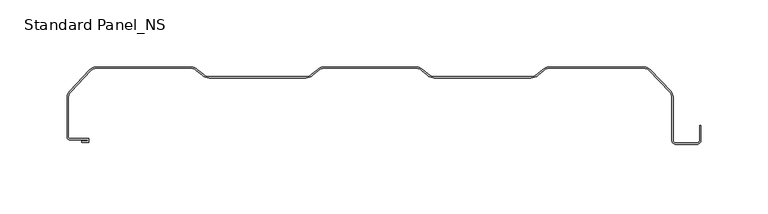
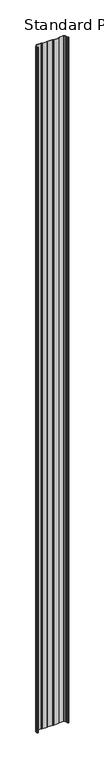
"""IFC4 building model written with IfcOpenShell, lengths in millimetres: proxy geometry, Standard Panel_NS."""

from ifc_helpers import new_model, si_unit, point, frame, frame_2d, origin, place, context, project, spatial, polyline, circle_curve, trimmed, segment, composite_curve, outline, extrude, source, transform, mapped, element, save


def standard_panel_ns_4d0732de(model_context):
    return source(origin(), model_context, "Body", "SweptSolid", [
        extrude(outline(composite_curve([segment(polyline([(244.25, -54.8581621), (244.25, -43.8581621), (245.25, -43.8581621), (245.25, -54.8581621)]), True, "CONTINUOUS"), segment(trimmed(circle_curve(frame_2d((242.25, -54.8581621)), 3.0), [point((245.25, -54.8581621))], [point((242.25, -57.8581621))], False, "CARTESIAN"), True, "CONTINUOUS"), segment(polyline([(242.25, -57.8581621), (226.5, -57.8581621)]), True, "CONTINUOUS"), segment(trimmed(circle_curve(frame_2d((226.5, -54.8581621)), 3.0), [point((226.5, -57.8581621))], [point((223.5, -54.8581621))], False, "CARTESIAN"), True, "CONTINUOUS"), segment(polyline([(223.5, -54.8581621), (223.5, -22.6923882)]), True, "CONTINUOUS"), segment(trimmed(circle_curve(frame_2d((218.0, -22.6923882)), 5.5), [point((223.5, -22.6923882))], [point((221.87828, -18.7925235))], True, "CARTESIAN"), True, "CONTINUOUS"), segment(polyline([(221.87828, -18.7925235), (206.6858919, -2.6001354)]), True, "CONTINUOUS"), segment(trimmed(circle_curve(frame_2d((202.8076118, -6.5)), 5.5), [point((206.6858919, -2.6001354))], [point((202.8076118, -1.0))], True, "CARTESIAN"), True, "CONTINUOUS"), segment(polyline([(202.8076118, -1.0), (131.8847763, -1.0)]), True, "CONTINUOUS"), segment(trimmed(circle_curve(frame_2d((131.8847763, -6.5)), 5.5), [point((131.8847763, -1.0))], [point((127.9650115, -2.6418341))], True, "CARTESIAN"), True, "CONTINUOUS"), segment(polyline([(127.9650115, -2.6418341), (123.7699113, -6.1364815)]), True, "CONTINUOUS"), segment(trimmed(circle_curve(frame_2d((118.5, -0.8)), 7.5), [point((123.7699113, -6.1364815))], [point((118.5, -8.3))], False, "CARTESIAN"), True, "CONTINUOUS"), segment(polyline([(118.5, -8.3), (46.5, -8.3)]), True, "CONTINUOUS"), segment(trimmed(circle_curve(frame_2d((46.5, -0.8)), 7.5), [point((46.5, -8.3))], [point((41.2300887, -6.1364815))], False, "CARTESIAN"), True, "CONTINUOUS"), segment(polyline([(41.2300887, -6.1364815), (37.0349885, -2.6418341)]), True, "CONTINUOUS"), segment(trimmed(circle_curve(frame_2d((33.1152237, -6.5)), 5.5), [point((37.0349885, -2.6418341))], [point((33.1152237, -1.0))], True, "CARTESIAN"), True, "CONTINUOUS"), segment(polyline([(33.1152237, -1.0), (-36.1152237, -1.0)]), True, "CONTINUOUS"), segment(trimmed(circle_curve(frame_2d((-36.1152237, -6.5)), 5.5), [point((-36.1152237, -1.0))], [point((-40.0349885, -2.6418341))], True, "CARTESIAN"), True, "CONTINUOUS"), segment(polyline([(-40.0349885, -2.6418341), (-44.2300887, -6.1364815)]), True, "CONTINUOUS"), segment(trimmed(circle_curve(frame_2d((-49.5, -0.8)), 7.5), [point((-44.2300887, -6.1364815))], [point((-49.5, -8.3))], False, "CARTESIAN"), True, "CONTINUOUS"), segment(polyline([(-49.5, -8.3), (-121.5, -8.3)]), True, "CONTINUOUS"), segment(trimmed(circle_curve(frame_2d((-121.5, -0.8)), 7.5), [point((-121.5, -8.3))], [point((-126.7699113, -6.1364815))], False, "CARTESIAN"), True, "CONTINUOUS"), segment(polyline([(-126.7699113, -6.1364815), (-130.9650115, -2.6418341)]), True, "CONTINUOUS"), segment(trimmed(circle_curve(frame_2d((-134.8847763, -6.5)), 5.5), [point((-130.9650115, -2.6418341))], [point((-134.8847763, -1.0))], True, "CARTESIAN"), True, "CONTINUOUS"), segment(polyline([(-134.8847763, -1.0), (-205.8076118, -1.0)]), True, "CONTINUOUS"), segment(trimmed(circle_curve(frame_2d((-205.8076118, -6.5)), 5.5), [point((-205.8076118, -1.0))], [point((-209.6858919, -2.6001354))], True, "CARTESIAN"), True, "CONTINUOUS"), segment(polyline([(-209.6858919, -2.6001354), (-224.87828, -18.7925235)]), True, "CONTINUOUS"), segment(trimmed(circle_curve(frame_2d((-221.0, -22.6923882)), 5.5), [point((-224.87828, -18.7925235))], [point((-226.5, -22.6923882))], True, "CARTESIAN"), True, "CONTINUOUS"), segment(polyline([(-226.5, -22.6923882), (-226.5, -52.45)]), True, "CONTINUOUS"), segment(trimmed(circle_curve(frame_2d((-225.5, -52.45)), 1.0), [point((-226.5, -52.45))], [point((-225.5, -53.45))], True, "CARTESIAN"), True, "CONTINUOUS"), segment(polyline([(-225.5, -53.45), (-211.45, -53.45), (-211.45, -56.35), (-216.4638134, -56.35), (-216.4638134, -55.35), (-212.15, -55.35), (-212.15, -54.45), (-225.5, -54.45)]), True, "CONTINUOUS"), segment(trimmed(circle_curve(frame_2d((-225.5, -52.45)), 2.0), [point((-225.5, -54.45))], [point((-227.5, -52.45))], False, "CARTESIAN"), True, "CONTINUOUS"), segment(polyline([(-227.5, -52.45), (-227.5, -22.6923882)]), True, "CONTINUOUS"), segment(trimmed(circle_curve(frame_2d((-221.0, -22.6923882)), 6.5), [point((-227.5, -22.6923882))], [point((-225.5961941, -18.0961941))], False, "CARTESIAN"), True, "CONTINUOUS"), segment(polyline([(-225.5961941, -18.0961941), (-210.4038059, -1.9038059)]), True, "CONTINUOUS"), segment(trimmed(circle_curve(frame_2d((-205.8076118, -6.5)), 6.5), [point((-210.4038059, -1.9038059))], [point((-205.8076118, 0.0))], False, "CARTESIAN"), True, "CONTINUOUS"), segment(polyline([(-205.8076118, 0.0), (-134.8847763, 0.0)]), True, "CONTINUOUS"), segment(trimmed(circle_curve(frame_2d((-134.8847763, -6.5)), 6.5), [point((-134.8847763, 0.0))], [point((-130.2885822, -1.9038059))], False, "CARTESIAN"), True, "CONTINUOUS"), segment(polyline([(-130.2885822, -1.9038059), (-126.0961941, -5.3961941)]), True, "CONTINUOUS"), segment(trimmed(circle_curve(frame_2d((-121.5, -0.8)), 6.5), [point((-126.0961941, -5.3961941))], [point((-121.5, -7.3))], True, "CARTESIAN"), True, "CONTINUOUS"), segment(polyline([(-121.5, -7.3), (-49.5, -7.3)]), True, "CONTINUOUS"), segment(trimmed(circle_curve(frame_2d((-49.5, -0.8)), 6.5), [point((-49.5, -7.3))], [point((-44.9038059, -5.3961941))], True, "CARTESIAN"), True, "CONTINUOUS"), segment(polyline([(-44.9038059, -5.3961941), (-40.7114178, -1.9038059)]), True, "CONTINUOUS"), segment(trimmed(circle_curve(frame_2d((-36.1152237, -6.5)), 6.5), [point((-40.7114178, -1.9038059))], [point((-36.1152237, 0.0))], False, "CARTESIAN"), True, "CONTINUOUS"), segment(polyline([(-36.1152237, 0.0), (33.1152237, 0.0)]), True, "CONTINUOUS"), segment(trimmed(circle_curve(frame_2d((33.1152237, -6.5)), 6.5), [point((33.1152237, 0.0))], [point((37.7114178, -1.9038059))], False, "CARTESIAN"), True, "CONTINUOUS"), segment(polyline([(37.7114178, -1.9038059), (41.9038059, -5.3961941)]), True, "CONTINUOUS"), segment(trimmed(circle_curve(frame_2d((46.5, -0.8)), 6.5), [point((41.9038059, -5.3961941))], [point((46.5, -7.3))], True, "CARTESIAN"), True, "CONTINUOUS"), segment(polyline([(46.5, -7.3), (118.5, -7.3)]), True, "CONTINUOUS"), segment(trimmed(circle_curve(frame_2d((118.5, -0.8)), 6.5), [point((118.5, -7.3))], [point((123.0961941, -5.3961941))], True, "CARTESIAN"), True, "CONTINUOUS"), segment(polyline([(123.0961941, -5.3961941), (127.2885822, -1.9038059)]), True, "CONTINUOUS"), segment(trimmed(circle_curve(frame_2d((131.8847763, -6.5)), 6.5), [point((127.2885822, -1.9038059))], [point((131.8847763, 0.0))], False, "CARTESIAN"), True, "CONTINUOUS"), segment(polyline([(131.8847763, 0.0), (202.8076118, 0.0)]), True, "CONTINUOUS"), segment(trimmed(circle_curve(frame_2d((202.8076118, -6.5)), 6.5), [point((202.8076118, 0.0))], [point((207.4038059, -1.9038059))], False, "CARTESIAN"), True, "CONTINUOUS"), segment(polyline([(207.4038059, -1.9038059), (222.5961941, -18.0961941)]), True, "CONTINUOUS"), segment(trimmed(circle_curve(frame_2d((218.0, -22.6923882)), 6.5), [point((222.5961941, -18.0961941))], [point((224.5, -22.6923882))], False, "CARTESIAN"), True, "CONTINUOUS"), segment(polyline([(224.5, -22.6923882), (224.5, -54.8581621)]), True, "CONTINUOUS"), segment(trimmed(circle_curve(frame_2d((226.5, -54.8581621)), 2.0), [point((224.5, -54.8581621))], [point((226.5, -56.8581621))], True, "CARTESIAN"), True, "CONTINUOUS"), segment(polyline([(226.5, -56.8581621), (242.25, -56.8581621)]), True, "CONTINUOUS"), segment(trimmed(circle_curve(frame_2d((242.25, -54.8581621)), 2.0), [point((242.25, -56.8581621))], [point((244.25, -54.8581621))], True, "CARTESIAN"), True, "CONTINUOUS")], self_intersect=False)), frame((0.0, 0.0, -250.0), z_axis=(0.0, 0.0, 1.0), x_axis=(1.0, 0.0, 0.0)), (0.0, 0.0, 1.0), 10753.00204),
    ])


if __name__ == "__main__":
    model = new_model("IFC4")
    model_context = context("Model", 3, world=origin())
    ifc_project = project(units=[si_unit("LENGTHUNIT", "METRE", prefix="MILLI")], contexts=[model_context])
    site = spatial("IfcSite", under=ifc_project)
    building = spatial("IfcBuilding", under=site)
    placement = place(None, origin())
    standard_panel_ns_shape = standard_panel_ns_4d0732de(model_context)
    element("IfcBuildingElementProxy", 1, Name="Standard Panel_NS", ObjectType="Standard Panel_NS", at=placement, inside=building, context=model_context, shape_type="MappedRepresentation", body=[
        mapped(standard_panel_ns_shape, transform((0.0, 0.0, 0.0), x_axis=(1.0, 0.0, 0.0), y_axis=(0.0, 1.0, 0.0), z_axis=(0.0, 0.0, 1.0))),
    ])
    save(model, "model.ifc")
